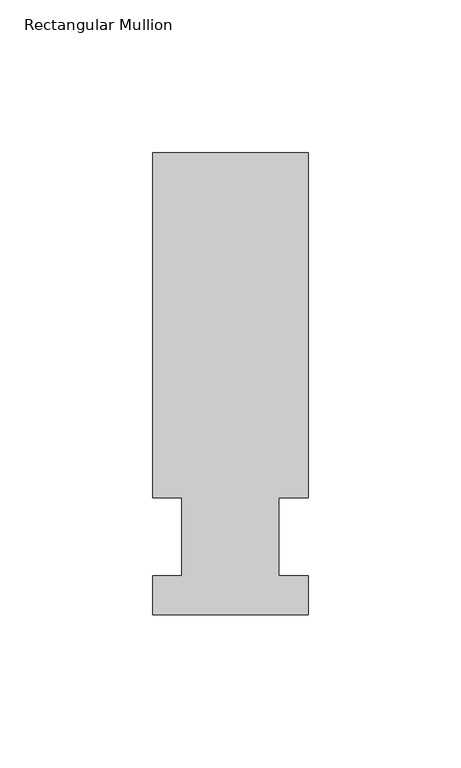
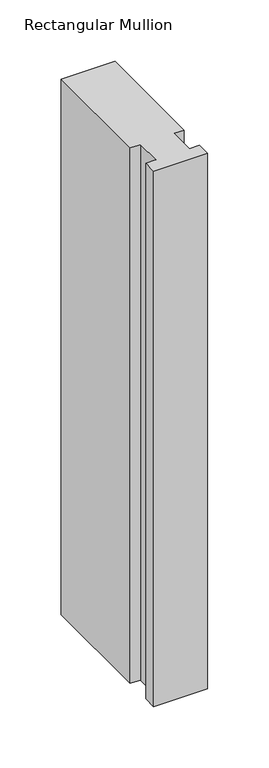
"""IFC4 building model written with IfcOpenShell, lengths in millimetres: member geometry, Rectangular Mullion."""

from ifc_helpers import new_model, si_unit, frame, origin, place, context, project, spatial, polyline, outline, extrude, source, transform, mapped, element, save


def rectangular_mullion_4cde33ec(model_context):
    return source(origin(), model_context, "Body", "SweptSolid", [
        extrude(outline(polyline([(-25.4, -25.58415), (-25.4, -12.7), (-15.875, -12.7), (-15.875, 12.7), (-25.4, 12.7), (-25.4, 125.59665), (25.4, 125.59665), (25.4, 12.7), (15.875, 12.7), (15.875, -12.7), (25.4, -12.7), (25.4, -25.58415), (-25.4, -25.58415)])), frame((0.0, 0.0, -533.4), z_axis=(0.0, 0.0, 1.0), x_axis=(1.0, 0.0, 0.0)), (0.0, 0.0, 1.0), 533.4),
    ])


if __name__ == "__main__":
    model = new_model("IFC4")
    model_context = context("Model", 3, world=origin())
    ifc_project = project(units=[si_unit("LENGTHUNIT", "METRE", prefix="MILLI")], contexts=[model_context])
    site = spatial("IfcSite", under=ifc_project)
    building = spatial("IfcBuilding", under=site)
    placement = place(None, origin())
    rectangular_mullion_shape = rectangular_mullion_4cde33ec(model_context)
    element("IfcMember", 1, ObjectType="Rectangular Mullion", at=placement, inside=building, context=model_context, shape_type="MappedRepresentation", body=[
        mapped(rectangular_mullion_shape, transform((0.0, 0.0, 0.0), x_axis=(1.0, 0.0, 0.0), y_axis=(0.0, 1.0, 0.0), z_axis=(0.0, 0.0, 1.0))),
    ])
    save(model, "model.ifc")
